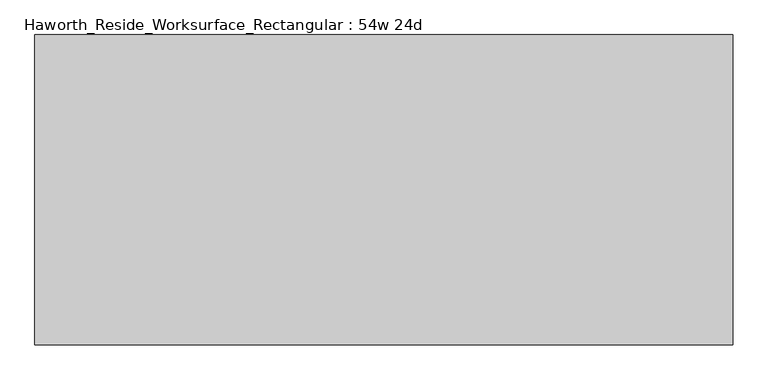
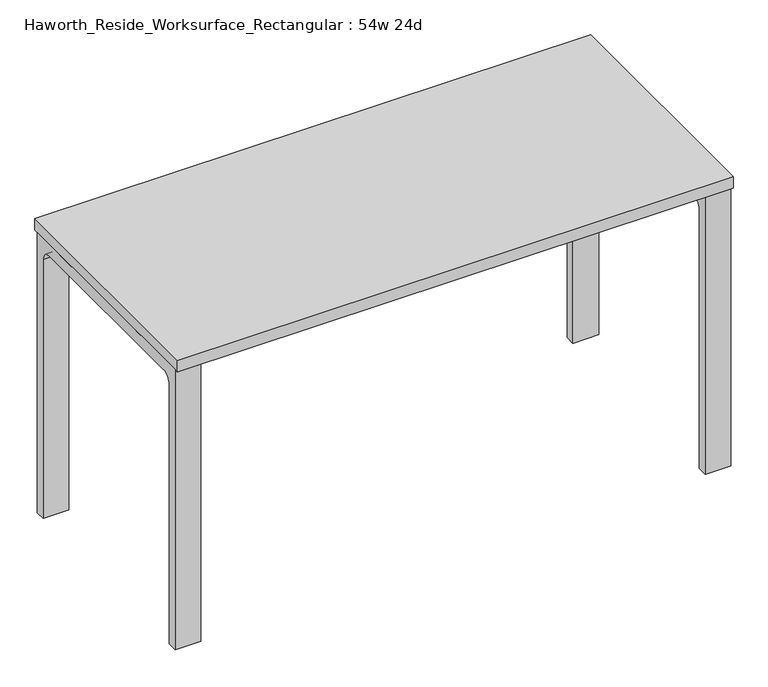
"""IFC4 building model written with IfcOpenShell, lengths in millimetres: furniture geometry, Haworth_Reside_Worksurface_Rectangular : 54w 24d."""

from ifc_helpers import new_model, si_unit, point, frame, frame_2d, origin, place, context, project, spatial, polyline, circle_curve, trimmed, segment, composite_curve, outline, extrude, source, transform, mapped, element, save


def haworth_reside_worksurface_rectangular_54w_24d_690bca65(model_context):
    return source(origin(), model_context, "Body", "SweptSolid", [
        extrude(outline(composite_curve([segment(trimmed(circle_curve(frame_2d((244.475, 676.275)), 25.4), [point((269.875, 676.275))], [point((244.475, 701.675))], True, "CARTESIAN"), True, "CONTINUOUS"), segment(polyline([(244.475, 701.675), (-244.475, 701.675)]), True, "CONTINUOUS"), segment(trimmed(circle_curve(frame_2d((-244.475, 676.275)), 25.4), [point((-244.475, 701.675))], [point((-269.875, 676.275))], True, "CARTESIAN"), True, "CONTINUOUS"), segment(polyline([(-269.875, 676.275), (-269.875, 0.0), (-295.275, 0.0), (-295.275, 731.8375), (295.275, 731.8375), (295.275, 0.0), (269.875, 0.0), (269.875, 676.275)]), True, "CONTINUOUS")], self_intersect=False)), frame((622.3, 0.0, 0.0), z_axis=(1.0, 0.0, 0.0), x_axis=(0.0, 1.0, 0.0)), (0.0, 0.0, 1.0), 63.5),
        extrude(outline(composite_curve([segment(trimmed(circle_curve(frame_2d((244.475, 676.275)), 25.4), [point((269.875, 676.275))], [point((244.475, 701.675))], True, "CARTESIAN"), True, "CONTINUOUS"), segment(polyline([(244.475, 701.675), (-244.475, 701.675)]), True, "CONTINUOUS"), segment(trimmed(circle_curve(frame_2d((-244.475, 676.275)), 25.4), [point((-244.475, 701.675))], [point((-269.875, 676.275))], True, "CARTESIAN"), True, "CONTINUOUS"), segment(polyline([(-269.875, 676.275), (-269.875, 0.0), (-295.275, 0.0), (-295.275, 731.8375), (295.275, 731.8375), (295.275, 0.0), (269.875, 0.0), (269.875, 676.275)]), True, "CONTINUOUS")], self_intersect=False)), frame((-685.8, 0.0, 0.0), z_axis=(1.0, 0.0, 0.0), x_axis=(0.0, 1.0, 0.0)), (0.0, 0.0, 1.0), 63.5),
        extrude(outline(polyline([(685.8, 304.8), (685.8, -304.8), (-685.8, -304.8), (-685.8, 304.8), (685.8, 304.8)])), frame((0.0, 0.0, 731.8375), z_axis=(0.0, 0.0, 1.0), x_axis=(1.0, 0.0, 0.0)), (0.0, 0.0, 1.0), 30.1625),
    ])


if __name__ == "__main__":
    model = new_model("IFC4")
    model_context = context("Model", 3, world=origin())
    ifc_project = project(units=[si_unit("LENGTHUNIT", "METRE", prefix="MILLI")], contexts=[model_context])
    site = spatial("IfcSite", under=ifc_project)
    building = spatial("IfcBuilding", under=site)
    placement = place(None, origin())
    haworth_reside_worksurface_rectangular_54w_24d_shape = haworth_reside_worksurface_rectangular_54w_24d_690bca65(model_context)
    element("IfcFurniture", 1, ObjectType="Haworth_Reside_Worksurface_Rectangular : 54w 24d", at=placement, inside=building, context=model_context, shape_type="MappedRepresentation", body=[
        mapped(haworth_reside_worksurface_rectangular_54w_24d_shape, transform((0.0, 0.0, 0.0), x_axis=(1.0, 0.0, 0.0), y_axis=(0.0, 1.0, 0.0), z_axis=(0.0, 0.0, 1.0))),
    ])
    save(model, "model.ifc")
